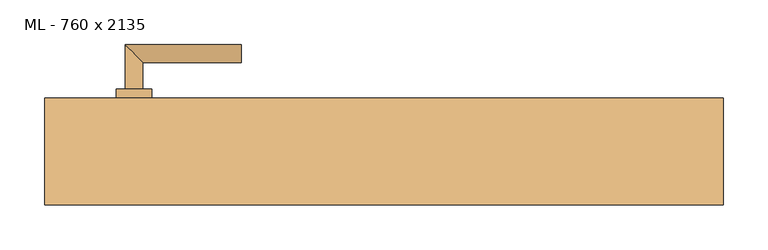
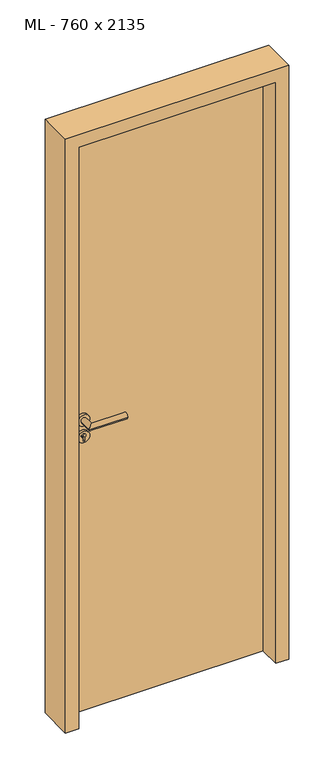
"""IFC4 building model written with IfcOpenShell, lengths in millimetres: door geometry, ML - 760 x 2135."""

from ifc_helpers import new_model, si_unit, point, frame, frame_2d, origin, origin_with_axes, place, context, project, spatial, polyline, circle_curve, ellipse_curve, trimmed, segment, composite_curve, outline, extrude, faceted_brep, source, transform, mapped, element, save
from ifc_brep_helpers import plane_surface, cylinder_surface, advanced_brep


def ml_760_x_2135_54b32f1a(model_context):
    return source(origin(), model_context, "Body", "SolidModel", [
        extrude(outline(polyline([(346.0, 60.0), (346.0, 15.0), (-346.0, 15.0), (-346.0, 60.0), (346.0, 60.0)])), origin_with_axes(), (0.0, 0.0, 1.0), 2101.0),
        advanced_brep(
        [(-270.0, 70.0, 1050.0), (-290.0, 70.0, 1050.0), (-270.0, 100.0, 1050.0), (-290.0, 120.0, 1050.0), (-160.0, 100.0, 1050.0), (-160.0, 120.0, 1050.0)],
        [
            (0, 1, circle_curve(frame((-280.0, 70.0, 1050.0), z_axis=(0.0, -1.0, 0.0), x_axis=(-1.0, 0.0, 0.0)), 10.0)),
            (1, 0, circle_curve(frame((-280.0, 70.0, 1050.0), z_axis=(0.0, -1.0, 0.0), x_axis=(-1.0, 0.0, 0.0)), 10.0)),
            (0, 2),
            (2, 3, ellipse_curve(frame((-280.0, 110.0, 1050.0), z_axis=(-0.7071067811865531, -0.7071067811865419, 0.0), x_axis=(0.707106781186542, -0.707106781186553, 0.0)), 14.1421356, 10.0)),
            (3, 1),
            (3, 2, ellipse_curve(frame((-280.0, 110.0, 1050.0), z_axis=(-0.7071067811865531, -0.7071067811865419, 0.0), x_axis=(0.707106781186542, -0.707106781186553, 0.0)), 14.1421356, 10.0)),
            (4, 5, circle_curve(frame((-160.0, 110.0, 1050.0), z_axis=(1.0, 0.0, 0.0), x_axis=(0.0, 1.0, 0.0)), 10.0)),
            (5, 4, circle_curve(frame((-160.0, 110.0, 1050.0), z_axis=(1.0, 0.0, 0.0), x_axis=(0.0, 1.0, 0.0)), 10.0)),
            (2, 4),
            (5, 3),
        ],
        [
            plane_surface(frame((-280.0, 70.0, 1050.0), z_axis=(0.0, -1.0, 0.0), x_axis=(0.0, 0.0, 1.0))),
            cylinder_surface(frame((-280.0, 70.0, 1050.0), z_axis=(0.0, -1.0, 0.0), x_axis=(-1.0, 0.0, 0.0)), 10.0),
            plane_surface(frame((-160.0, 110.0, 1050.0), z_axis=(1.0, 0.0, 0.0), x_axis=(0.0, 0.0, 1.0))),
            cylinder_surface(frame((-280.0, 110.0, 1050.0), z_axis=(-1.0, 0.0, 0.0), x_axis=(0.0, 1.0, 0.0)), 10.0),
        ],
        [
            (0, [[1, 2]]),
            (1, [[-1, 3, 4, 5]]),
            (1, [[-2, -5, 6, -3]]),
            (2, [[7, 8]]),
            (3, [[-4, 9, -8, 10]]),
            (3, [[-6, -10, -7, -9]]),
        ],
    ),
        extrude(outline(composite_curve([segment(trimmed(circle_curve(frame_2d((990.0, -280.0)), 20.0), [point((990.0, -300.0))], [point((990.0, -260.0))], False, "CARTESIAN"), True, "CONTINUOUS"), segment(trimmed(circle_curve(frame_2d((990.0, -280.0)), 20.0), [point((990.0, -260.0))], [point((990.0, -300.0))], False, "CARTESIAN"), True, "CONTINUOUS")], self_intersect=False), holes=[composite_curve([segment(polyline([(976.4601385, -282.397268), (988.4749012, -282.397268)]), True, "CONTINUOUS"), segment(trimmed(circle_curve(frame_2d((995.0361633, -280.0)), 6.9854888), [point((988.4749012, -282.397268))], [point((988.4749012, -277.602732))], True, "CARTESIAN"), True, "CONTINUOUS"), segment(polyline([(988.4749012, -277.602732), (976.4601385, -277.602732)]), True, "CONTINUOUS"), segment(trimmed(circle_curve(frame_2d((976.4601385, -280.0)), 2.397268), [point((976.4601385, -277.602732))], [point((976.4601385, -282.397268))], True, "CARTESIAN"), True, "CONTINUOUS")], self_intersect=False)]), frame((0.0, 60.0, 0.0), z_axis=(0.0, 1.0, 0.0), x_axis=(0.0, 0.0, 1.0)), (0.0, 0.0, 1.0), 10.0),
        advanced_brep(
        [(-270.0, 70.0, 1050.0), (-290.0, 70.0, 1050.0), (-270.0, 100.0, 1050.0), (-290.0, 120.0, 1050.0), (-160.0, 100.0, 1050.0), (-160.0, 120.0, 1050.0)],
        [
            (0, 1, circle_curve(frame((-280.0, 70.0, 1050.0), z_axis=(0.0, -1.0, 0.0), x_axis=(-1.0, 0.0, 0.0)), 10.0)),
            (1, 0, circle_curve(frame((-280.0, 70.0, 1050.0), z_axis=(0.0, -1.0, 0.0), x_axis=(-1.0, 0.0, 0.0)), 10.0)),
            (0, 2),
            (2, 3, ellipse_curve(frame((-280.0, 110.0, 1050.0), z_axis=(-0.7071067811865537, -0.7071067811865414, 0.0), x_axis=(0.7071067811865414, -0.7071067811865536, 0.0)), 14.1421356, 10.0)),
            (3, 1),
            (3, 2, ellipse_curve(frame((-280.0, 110.0, 1050.0), z_axis=(-0.7071067811865537, -0.7071067811865414, 0.0), x_axis=(0.7071067811865414, -0.7071067811865536, 0.0)), 14.1421356, 10.0)),
            (4, 5, circle_curve(frame((-160.0, 110.0, 1050.0), z_axis=(1.0, 0.0, 0.0), x_axis=(0.0, 1.0, 0.0)), 10.0)),
            (5, 4, circle_curve(frame((-160.0, 110.0, 1050.0), z_axis=(1.0, 0.0, 0.0), x_axis=(0.0, 1.0, 0.0)), 10.0)),
            (2, 4),
            (5, 3),
        ],
        [
            plane_surface(frame((-280.0, 70.0, 1050.0), z_axis=(0.0, -1.0, 0.0), x_axis=(0.0, 0.0, 1.0))),
            cylinder_surface(frame((-280.0, 70.0, 1050.0), z_axis=(0.0, -1.0, 0.0), x_axis=(-1.0, 0.0, 0.0)), 10.0),
            plane_surface(frame((-160.0, 110.0, 1050.0), z_axis=(1.0, 0.0, 0.0), x_axis=(0.0, 0.0, 1.0))),
            cylinder_surface(frame((-280.0, 110.0, 1050.0), z_axis=(-1.0, 0.0, 0.0), x_axis=(0.0, 1.0, 0.0)), 10.0),
        ],
        [
            (0, [[1, 2]]),
            (1, [[-1, 3, 4, 5]]),
            (1, [[-2, -5, 6, -3]]),
            (2, [[7, 8]]),
            (3, [[-4, 9, -8, 10]]),
            (3, [[-6, -10, -7, -9]]),
        ],
    ),
        extrude(outline(composite_curve([segment(trimmed(circle_curve(frame_2d((1050.0, -280.0)), 20.0), [point((1050.0, -300.0))], [point((1050.0, -260.0))], False, "CARTESIAN"), True, "CONTINUOUS"), segment(trimmed(circle_curve(frame_2d((1050.0, -280.0)), 20.0), [point((1050.0, -260.0))], [point((1050.0, -300.0))], False, "CARTESIAN"), True, "CONTINUOUS")], self_intersect=False)), frame((0.0, 60.0, 0.0), z_axis=(0.0, 1.0, 0.0), x_axis=(0.0, 0.0, 1.0)), (0.0, 0.0, 1.0), 10.0),
        advanced_brep(
        [(-270.0, 5.0, 1050.0), (-290.0, 5.0, 1050.0), (-290.0, -45.0, 1050.0), (-270.0, -25.0, 1050.0), (-160.0, -25.0, 1050.0), (-160.0, -45.0, 1050.0)],
        [
            (0, 1, circle_curve(frame((-280.0, 5.0, 1050.0), z_axis=(0.0, 1.0, 0.0), x_axis=(-1.0, 0.0, 0.0)), 10.0)),
            (1, 0, circle_curve(frame((-280.0, 5.0, 1050.0), z_axis=(0.0, 1.0, 0.0), x_axis=(-1.0, 0.0, 0.0)), 10.0)),
            (1, 2),
            (2, 3, ellipse_curve(frame((-280.0, -35.0, 1050.0), z_axis=(-0.7071067811865486, 0.7071067811865464, 0.0), x_axis=(0.7071067811865464, 0.7071067811865488, 0.0)), 14.1421356, 10.0)),
            (3, 0),
            (3, 2, ellipse_curve(frame((-280.0, -35.0, 1050.0), z_axis=(-0.7071067811865486, 0.7071067811865464, 0.0), x_axis=(0.7071067811865464, 0.7071067811865488, 0.0)), 14.1421356, 10.0)),
            (4, 5, circle_curve(frame((-160.0, -35.0, 1050.0), z_axis=(1.0, 0.0, 0.0), x_axis=(0.0, -1.0, 0.0)), 10.0)),
            (5, 4, circle_curve(frame((-160.0, -35.0, 1050.0), z_axis=(1.0, 0.0, 0.0), x_axis=(0.0, -1.0, 0.0)), 10.0)),
            (2, 5),
            (4, 3),
        ],
        [
            plane_surface(frame((-280.0, 5.0, 1050.0), z_axis=(0.0, 1.0, 0.0), x_axis=(0.0, 0.0, 1.0))),
            cylinder_surface(frame((-280.0, 5.0, 1050.0), z_axis=(0.0, 1.0, 0.0), x_axis=(-1.0, 0.0, 0.0)), 10.0),
            plane_surface(frame((-160.0, -35.0, 1050.0), z_axis=(1.0, 0.0, 0.0), x_axis=(0.0, 0.0, 1.0))),
            cylinder_surface(frame((-280.0, -35.0, 1050.0), z_axis=(-1.0, 0.0, 0.0), x_axis=(0.0, -1.0, 0.0)), 10.0),
        ],
        [
            (0, [[1, 2]]),
            (1, [[3, 4, 5, -2]]),
            (1, [[-5, 6, -3, -1]]),
            (2, [[7, 8]]),
            (3, [[9, -7, 10, -4]]),
            (3, [[-10, -8, -9, -6]]),
        ],
    ),
        extrude(outline(composite_curve([segment(trimmed(circle_curve(frame_2d((990.0, -280.0)), 20.0), [point((990.0, -300.0))], [point((990.0, -260.0))], False, "CARTESIAN"), True, "CONTINUOUS"), segment(trimmed(circle_curve(frame_2d((990.0, -280.0)), 20.0), [point((990.0, -260.0))], [point((990.0, -300.0))], False, "CARTESIAN"), True, "CONTINUOUS")], self_intersect=False), holes=[composite_curve([segment(polyline([(976.4601385, -282.397268), (988.4749012, -282.397268)]), True, "CONTINUOUS"), segment(trimmed(circle_curve(frame_2d((995.0361633, -280.0)), 6.9854888), [point((988.4749012, -282.397268))], [point((988.4749012, -277.602732))], True, "CARTESIAN"), True, "CONTINUOUS"), segment(polyline([(988.4749012, -277.602732), (976.4601385, -277.602732)]), True, "CONTINUOUS"), segment(trimmed(circle_curve(frame_2d((976.4601385, -280.0)), 2.397268), [point((976.4601385, -277.602732))], [point((976.4601385, -282.397268))], True, "CARTESIAN"), True, "CONTINUOUS")], self_intersect=False)]), frame((0.0, 5.0, 0.0), z_axis=(0.0, 1.0, 0.0), x_axis=(0.0, 0.0, 1.0)), (0.0, 0.0, 1.0), 10.0),
        advanced_brep(
        [(-270.0, 5.0, 1050.0), (-290.0, 5.0, 1050.0), (-290.0, -45.0, 1050.0), (-270.0, -25.0, 1050.0), (-160.0, -25.0, 1050.0), (-160.0, -45.0, 1050.0)],
        [
            (0, 1, circle_curve(frame((-280.0, 5.0, 1050.0), z_axis=(0.0, 1.0, 0.0), x_axis=(-1.0, 0.0, 0.0)), 10.0)),
            (1, 0, circle_curve(frame((-280.0, 5.0, 1050.0), z_axis=(0.0, 1.0, 0.0), x_axis=(-1.0, 0.0, 0.0)), 10.0)),
            (1, 2),
            (2, 3, ellipse_curve(frame((-280.0, -35.0, 1050.0), z_axis=(-0.7071067811865491, 0.7071067811865459, 0.0), x_axis=(0.7071067811865458, 0.7071067811865492, 0.0)), 14.1421356, 10.0)),
            (3, 0),
            (3, 2, ellipse_curve(frame((-280.0, -35.0, 1050.0), z_axis=(-0.7071067811865491, 0.7071067811865459, 0.0), x_axis=(0.7071067811865458, 0.7071067811865492, 0.0)), 14.1421356, 10.0)),
            (4, 5, circle_curve(frame((-160.0, -35.0, 1050.0), z_axis=(1.0, 0.0, 0.0), x_axis=(0.0, -1.0, 0.0)), 10.0)),
            (5, 4, circle_curve(frame((-160.0, -35.0, 1050.0), z_axis=(1.0, 0.0, 0.0), x_axis=(0.0, -1.0, 0.0)), 10.0)),
            (2, 5),
            (4, 3),
        ],
        [
            plane_surface(frame((-280.0, 5.0, 1050.0), z_axis=(0.0, 1.0, 0.0), x_axis=(0.0, 0.0, 1.0))),
            cylinder_surface(frame((-280.0, 5.0, 1050.0), z_axis=(0.0, 1.0, 0.0), x_axis=(-1.0, 0.0, 0.0)), 10.0),
            plane_surface(frame((-160.0, -35.0, 1050.0), z_axis=(1.0, 0.0, 0.0), x_axis=(0.0, 0.0, 1.0))),
            cylinder_surface(frame((-280.0, -35.0, 1050.0), z_axis=(-1.0, 0.0, 0.0), x_axis=(0.0, -1.0, 0.0)), 10.0),
        ],
        [
            (0, [[1, 2]]),
            (1, [[3, 4, 5, -2]]),
            (1, [[-5, 6, -3, -1]]),
            (2, [[7, 8]]),
            (3, [[9, -7, 10, -4]]),
            (3, [[-10, -8, -9, -6]]),
        ],
    ),
        extrude(outline(composite_curve([segment(trimmed(circle_curve(frame_2d((1050.0, -280.0)), 20.0), [point((1050.0, -300.0))], [point((1050.0, -260.0))], False, "CARTESIAN"), True, "CONTINUOUS"), segment(trimmed(circle_curve(frame_2d((1050.0, -280.0)), 20.0), [point((1050.0, -260.0))], [point((1050.0, -300.0))], False, "CARTESIAN"), True, "CONTINUOUS")], self_intersect=False)), frame((0.0, 5.0, 0.0), z_axis=(0.0, 1.0, 0.0), x_axis=(0.0, 0.0, 1.0)), (0.0, 0.0, 1.0), 10.0),
        faceted_brep([(-350.0, 60.0, 0.0), (-350.0, 15.0, 0.0), (-335.0, 15.0, 0.0), (-335.0, -60.0, 0.0), (-380.0, -60.0, 0.0), (-380.0, 60.0, 0.0), (-350.0, 60.0, 2105.0), (-350.0, 15.0, 2105.0), (350.0, 15.0, 2105.0), (350.0, 15.0, 0.0), (335.0, 15.0, 0.0), (335.0, 15.0, 2090.0), (-335.0, 15.0, 2090.0), (-335.0, -60.0, 2090.0), (335.0, -60.0, 2090.0), (335.0, -60.0, 0.0), (380.0, -60.0, 0.0), (380.0, -60.0, 2135.0), (-380.0, -60.0, 2135.0), (-380.0, 60.0, 2135.0), (380.0, 60.0, 2135.0), (380.0, 60.0, 0.0), (350.0, 60.0, 0.0), (350.0, 60.0, 2105.0)], [[[0, 1, 2, 3, 4, 5]], [[1, 0, 6, 7]], [[2, 1, 7, 8, 9, 10, 11, 12]], [[3, 2, 12, 13]], [[4, 3, 13, 14, 15, 16, 17, 18]], [[5, 4, 18, 19]], [[0, 5, 19, 20, 21, 22, 23, 6]], [[20, 17, 16, 21]], [[22, 21, 16, 15, 10, 9]], [[8, 23, 22, 9]], [[14, 11, 10, 15]], [[19, 18, 17, 20]], [[13, 12, 11, 14]], [[7, 6, 23, 8]]]),
    ])


if __name__ == "__main__":
    model = new_model("IFC4")
    model_context = context("Model", 3, world=origin())
    ifc_project = project(units=[si_unit("LENGTHUNIT", "METRE", prefix="MILLI")], contexts=[model_context])
    site = spatial("IfcSite", under=ifc_project)
    building = spatial("IfcBuilding", under=site)
    placement = place(None, origin())
    ml_760_x_2135_shape = ml_760_x_2135_54b32f1a(model_context)
    element("IfcDoor", 1, ObjectType="ML - 760 x 2135", at=placement, inside=building, context=model_context, shape_type="MappedRepresentation", body=[
        mapped(ml_760_x_2135_shape, transform((0.0, 0.0, 0.0), x_axis=(1.0, 0.0, 0.0), y_axis=(0.0, 1.0, 0.0), z_axis=(0.0, 0.0, 1.0))),
    ])
    save(model, "model.ifc")
